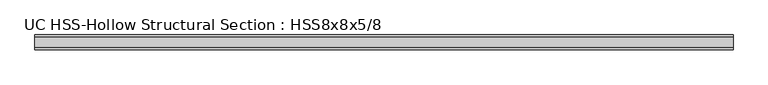
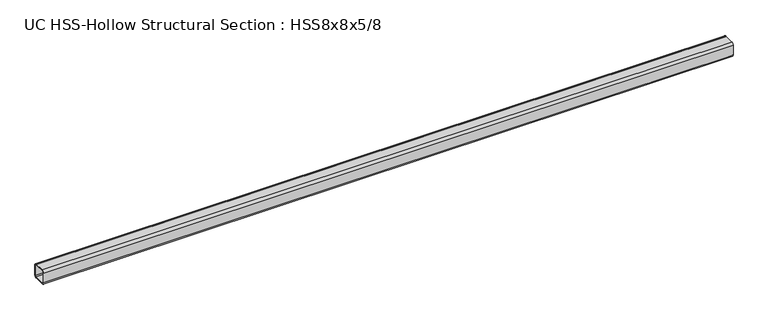
"""IFC4 building model written with IfcOpenShell, lengths in millimetres: member geometry, UC HSS-Hollow Structural Section : HSS8x8x5/8."""

from ifc_helpers import new_model, si_unit, point, frame, frame_2d, origin, place, context, project, spatial, polyline, circle_curve, trimmed, segment, composite_curve, outline, extrude, source, transform, mapped, element, save


def uc_hss_hollow_structural_section_hss8x8x5_8_4e779467(model_context):
    return source(origin(), model_context, "Body", "SweptSolid", [
        extrude(outline(composite_curve([segment(trimmed(circle_curve(frame_2d((-72.0852, 72.0852)), 29.5148), [point((-101.6, 72.0852))], [point((-72.0852, 101.6))], False, "CARTESIAN"), True, "CONTINUOUS"), segment(polyline([(-72.0852, 101.6), (72.0852, 101.6)]), True, "CONTINUOUS"), segment(trimmed(circle_curve(frame_2d((72.0852, 72.0852)), 29.5148), [point((72.0852, 101.6))], [point((101.6, 72.0852))], False, "CARTESIAN"), True, "CONTINUOUS"), segment(polyline([(101.6, 72.0852), (101.6, -72.0852)]), True, "CONTINUOUS"), segment(trimmed(circle_curve(frame_2d((72.0852, -72.0852)), 29.5148), [point((101.6, -72.0852))], [point((72.0852, -101.6))], False, "CARTESIAN"), True, "CONTINUOUS"), segment(polyline([(72.0852, -101.6), (-72.0852, -101.6)]), True, "CONTINUOUS"), segment(trimmed(circle_curve(frame_2d((-72.0852, -72.0852)), 29.5148), [point((-72.0852, -101.6))], [point((-101.6, -72.0852))], False, "CARTESIAN"), True, "CONTINUOUS"), segment(polyline([(-101.6, -72.0852), (-101.6, 72.0852)]), True, "CONTINUOUS")], self_intersect=False), holes=[composite_curve([segment(polyline([(72.0852, 86.8426), (-72.0852, 86.8426)]), True, "CONTINUOUS"), segment(trimmed(circle_curve(frame_2d((-72.0852, 72.0852)), 14.7574), [point((-72.0852, 86.8426))], [point((-86.8426, 72.0852))], True, "CARTESIAN"), True, "CONTINUOUS"), segment(polyline([(-86.8426, 72.0852), (-86.8426, -72.0852)]), True, "CONTINUOUS"), segment(trimmed(circle_curve(frame_2d((-72.0852, -72.0852)), 14.7574), [point((-86.8426, -72.0852))], [point((-72.0852, -86.8426))], True, "CARTESIAN"), True, "CONTINUOUS"), segment(polyline([(-72.0852, -86.8426), (72.0852, -86.8426)]), True, "CONTINUOUS"), segment(trimmed(circle_curve(frame_2d((72.0852, -72.0852)), 14.7574), [point((72.0852, -86.8426))], [point((86.8426, -72.0852))], True, "CARTESIAN"), True, "CONTINUOUS"), segment(polyline([(86.8426, -72.0852), (86.8426, 72.0852)]), True, "CONTINUOUS"), segment(trimmed(circle_curve(frame_2d((72.0852, 72.0852)), 14.7574), [point((86.8426, 72.0852))], [point((72.0852, 86.8426))], True, "CARTESIAN"), True, "CONTINUOUS")], self_intersect=False)]), frame((-4811.9291661, 0.0, 0.0), z_axis=(1.0, 0.0, 0.0), x_axis=(0.0, 1.0, 0.0)), (0.0, 0.0, 1.0), 9623.8583322),
    ])


if __name__ == "__main__":
    model = new_model("IFC4")
    model_context = context("Model", 3, world=origin())
    ifc_project = project(units=[si_unit("LENGTHUNIT", "METRE", prefix="MILLI")], contexts=[model_context])
    site = spatial("IfcSite", under=ifc_project)
    building = spatial("IfcBuilding", under=site)
    placement = place(None, origin())
    uc_hss_hollow_structural_section_hss8x8x5_8_shape = uc_hss_hollow_structural_section_hss8x8x5_8_4e779467(model_context)
    element("IfcMember", 1, ObjectType="UC HSS-Hollow Structural Section : HSS8x8x5/8", at=placement, inside=building, context=model_context, shape_type="MappedRepresentation", body=[
        mapped(uc_hss_hollow_structural_section_hss8x8x5_8_shape, transform((0.0, 0.0, 0.0), x_axis=(1.0, 0.0, 0.0), y_axis=(0.0, 1.0, 0.0), z_axis=(0.0, 0.0, 1.0))),
    ])
    save(model, "model.ifc")
